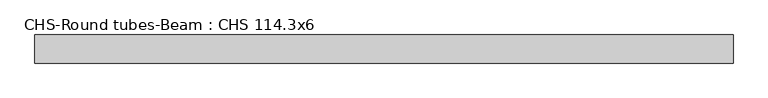
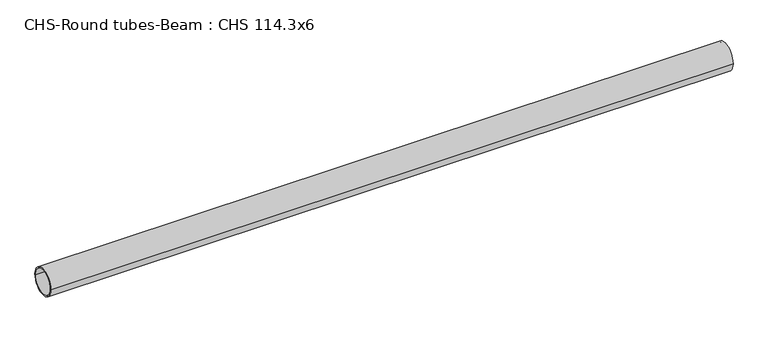
"""IFC4 building model written with IfcOpenShell, lengths in millimetres: beam geometry, CHS-Round tubes-Beam : CHS 114.3x6."""

import ifcopenshell
import ifcopenshell.guid

model = None  # the IFC model being written
_history = None  # IfcOwnerHistory: only IFC2X3 demands one
_inside = {}  # id of a spatial element -> (the spatial element, [elements in it])
_under = {}  # id of a project, library or spatial element -> (it, [spatial elements below it])
_declared = {}  # id of a project -> (the project, [libraries it declares])
_typed = {}  # id of a type object -> (the type object, [elements of that type])
_made_of = {}  # id of a material, layer set ... -> (it, [elements and type objects made of it])


def new_model(schema):
    """Start an empty IFC model of exactly this schema.

    Asked for "IFC4X3", IfcOpenShell would pick the latest addendum, in which some entities
    have other attributes; the version numbers below select the first issue.
    IFC2X3 requires an IfcOwnerHistory on every rooted entity: one is made here for all.
    """
    global model, _history
    if schema == "IFC4X3":
        model = ifcopenshell.file(schema_version=(4, 3, 0, 0))
    else:
        model = ifcopenshell.file(schema=schema)
    _inside.clear()
    _under.clear()
    _declared.clear()
    _typed.clear()
    _made_of.clear()
    _history = None
    if model.schema == "IFC2X3":
        org = make("IfcOrganization", Name="unknown")
        user = make(
            "IfcPersonAndOrganization",
            ThePerson=make("IfcPerson", FamilyName="unknown"),
            TheOrganization=org,
        )
        app = make(
            "IfcApplication",
            ApplicationDeveloper=org,
            Version="unknown",
            ApplicationFullName="unknown",
            ApplicationIdentifier="unknown",
        )
        _history = make(
            "IfcOwnerHistory",
            OwningUser=user,
            OwningApplication=app,
            ChangeAction="ADDED",
            CreationDate=0,
        )
    return model


def make(cls, **values):
    """One entity of the class cls with the attributes given. An attribute that is None is left unset."""
    return model.create_entity(
        cls, **{name: value for name, value in values.items() if value is not None}
    )


def rooted(cls, **values):
    """An entity with a GlobalId (a new one), such as an element, a storey or a relation."""
    return make(cls, GlobalId=ifcopenshell.guid.new(), OwnerHistory=_history, **values)


def si_unit(unit_type, name, prefix=None):
    """IfcSIUnit, for example si_unit("LENGTHUNIT", "METRE", prefix="MILLI")."""
    return make("IfcSIUnit", UnitType=unit_type, Prefix=prefix, Name=name)


def assignment(units):
    """IfcUnitAssignment: the units of a project."""
    return None if units is None else make("IfcUnitAssignment", Units=units)


def point(xyz):
    """IfcCartesianPoint."""
    return None if xyz is None else make("IfcCartesianPoint", Coordinates=xyz)


def direction(xyz):
    """IfcDirection."""
    return None if xyz is None else make("IfcDirection", DirectionRatios=xyz)


def frame(location, z_axis=None, x_axis=None):
    """IfcAxis2Placement3D, a coordinate frame: its origin and axes. An axis left out is left unset."""
    return make(
        "IfcAxis2Placement3D",
        Location=point(location),
        Axis=direction(z_axis),
        RefDirection=direction(x_axis),
    )


def frame_2d(location, x_axis=None):
    """IfcAxis2Placement2D, a coordinate frame in the plane: its origin and x axis."""
    return make(
        "IfcAxis2Placement2D", Location=point(location), RefDirection=direction(x_axis)
    )


def origin():
    """The frame at (0, 0, 0) with its axes left unset."""
    return frame((0.0, 0.0, 0.0))


def origin_2d():
    """The frame at (0, 0) in the plane with its x axis left unset."""
    return frame_2d((0.0, 0.0))


def place(relative_to, where):
    """IfcLocalPlacement: puts the frame where relative to a parent placement (None: the world)."""
    return make(
        "IfcLocalPlacement", PlacementRelTo=relative_to, RelativePlacement=where
    )


def context(
    kind, dimensions, precision=None, world=None, true_north=None, identifier=None
):
    """IfcGeometricRepresentationContext, for example the 3D "Model" context."""
    return make(
        "IfcGeometricRepresentationContext",
        ContextIdentifier=identifier,
        ContextType=kind,
        CoordinateSpaceDimension=dimensions,
        Precision=precision,
        WorldCoordinateSystem=world,
        TrueNorth=true_north,
    )


def project(units=None, contexts=None):
    """IfcProject with its units and contexts."""
    return rooted(
        "IfcProject",
        Name="project",
        RepresentationContexts=contexts,
        UnitsInContext=assignment(units),
    )


def spatial(cls, under=None, at=None, **own):
    """A site, building, storey or space (cls), placed at a placement, below another one or the project."""
    s = rooted(cls, ObjectPlacement=at, **own)
    if under is not None:
        _under.setdefault(under.id(), (under, []))[1].append(s)
    return s


def circle_curve(where, radius):
    """IfcCircle in the frame where."""
    return make("IfcCircle", Position=where, Radius=radius)


def trimmed(basis, trim1, trim2, sense, master):
    """IfcTrimmedCurve: the piece of a basis curve between two trims."""
    return make(
        "IfcTrimmedCurve",
        BasisCurve=basis,
        Trim1=trim1,
        Trim2=trim2,
        SenseAgreement=sense,
        MasterRepresentation=master,
    )


def segment(curve, same_sense, transition):
    """IfcCompositeCurveSegment."""
    return make(
        "IfcCompositeCurveSegment",
        Transition=transition,
        SameSense=same_sense,
        ParentCurve=curve,
    )


def composite_curve(segments, self_intersect=None):
    """IfcCompositeCurve: segments joined end to end."""
    return make("IfcCompositeCurve", Segments=segments, SelfIntersect=self_intersect)


def outline(outer, holes=None, kind="AREA"):
    """IfcArbitraryClosedProfileDef: a profile drawn as a closed curve; with holes, ...WithVoids."""
    if holes is None:
        return make("IfcArbitraryClosedProfileDef", ProfileType=kind, OuterCurve=outer)
    return make(
        "IfcArbitraryProfileDefWithVoids",
        ProfileType=kind,
        OuterCurve=outer,
        InnerCurves=holes,
    )


def extrude(swept, where, along, depth):
    """IfcExtrudedAreaSolid: the profile swept, set in the frame where, extruded along a direction by depth."""
    return make(
        "IfcExtrudedAreaSolid",
        SweptArea=swept,
        Position=where,
        ExtrudedDirection=direction(along),
        Depth=depth,
    )


def shape(context_of_items, identifier, shape_type, items):
    """IfcShapeRepresentation: the items that make up one representation, for example the "Body"."""
    return make(
        "IfcShapeRepresentation",
        ContextOfItems=context_of_items,
        RepresentationIdentifier=identifier,
        RepresentationType=shape_type,
        Items=items,
    )


def source(mapping_origin, context_of_items, identifier, shape_type, items):
    """IfcRepresentationMap: a shape defined once, which mapped items show again and again."""
    return make(
        "IfcRepresentationMap",
        MappingOrigin=mapping_origin,
        MappedRepresentation=shape(context_of_items, identifier, shape_type, items),
    )


def transform(
    local_origin,
    x_axis=None,
    y_axis=None,
    z_axis=None,
    scale=None,
    scale2=None,
    scale3=None,
    uniform=True,
):
    """IfcCartesianTransformationOperator3D, or its non-uniform kind. x_axis, y_axis, z_axis: its Axis1, 2, 3."""
    if uniform:
        return make(
            "IfcCartesianTransformationOperator3D",
            Axis1=direction(x_axis),
            Axis2=direction(y_axis),
            LocalOrigin=point(local_origin),
            Scale=scale,
            Axis3=direction(z_axis),
        )
    return make(
        "IfcCartesianTransformationOperator3DnonUniform",
        Axis1=direction(x_axis),
        Axis2=direction(y_axis),
        LocalOrigin=point(local_origin),
        Scale=scale,
        Axis3=direction(z_axis),
        Scale2=scale2,
        Scale3=scale3,
    )


def mapped(mapping_source, mapping_target):
    """IfcMappedItem: shows the shape of a source again, moved by a transform."""
    return make(
        "IfcMappedItem", MappingSource=mapping_source, MappingTarget=mapping_target
    )


def made_of(thing, what):
    """Note that an element or type object is made of a material, layer set ...; save() writes the relation."""
    if what is not None:
        _made_of.setdefault(what.id(), (what, []))[1].append(thing)
    return thing


def element(
    cls,
    number,
    at=None,
    inside=None,
    cuts=None,
    type_object=None,
    material=None,
    context=None,
    identifier="Body",
    shape_type=None,
    held_by="IfcProductDefinitionShape",
    body=None,
    shapes=None,
    **own,
):
    """One element of the class cls, such as IfcWall. Its Tag is "e" and its number.

    at: its placement. inside: the storey or other place that contains it. cuts: it is an
    opening in that element (IfcRelVoidsElement). A single representation is given by context,
    identifier, shape_type and body (its items); several are given by shapes. held_by: the class
    of the entity that holds the representations. save() writes the other relations.
    """
    e = rooted(cls, Tag="e%d" % number, ObjectPlacement=at, **own)
    if body is not None:
        shapes = [shape(context, identifier, shape_type, body)]
    if shapes is not None:
        e.Representation = make(held_by, Representations=shapes)
    if inside is not None:
        _inside.setdefault(inside.id(), (inside, []))[1].append(e)
    if cuts is not None:
        rooted(
            "IfcRelVoidsElement", RelatingBuildingElement=cuts, RelatedOpeningElement=e
        )
    if type_object is not None:
        _typed.setdefault(type_object.id(), (type_object, []))[1].append(e)
    return made_of(e, material)


def aggregate(whole, parts):
    """IfcRelAggregates: a whole, such as a stair, and the parts it consists of."""
    return rooted("IfcRelAggregates", RelatingObject=whole, RelatedObjects=parts)


def save(model, path):
    """Write the relations noted so far, then the file.

    IfcRelAggregates (storeys below a building ...), IfcRelContainedInSpatialStructure (elements
    in a storey), IfcRelDefinesByType, IfcRelAssociatesMaterial and IfcRelDeclares: one each for
    every whole, place, type object, material and project.
    """
    for whole, parts in _under.values():
        aggregate(whole, parts)
    for where, things in _inside.values():
        rooted(
            "IfcRelContainedInSpatialStructure",
            RelatedElements=things,
            RelatingStructure=where,
        )
    for kind, things in _typed.values():
        rooted("IfcRelDefinesByType", RelatedObjects=things, RelatingType=kind)
    for what, things in _made_of.values():
        rooted("IfcRelAssociatesMaterial", RelatedObjects=things, RelatingMaterial=what)
    for by, libraries in _declared.values():
        rooted("IfcRelDeclares", RelatingContext=by, RelatedDefinitions=libraries)
    model.write(path)


def chs_round_tubes_beam_chs_114_3x6_f9e65347(model_context):
    return source(origin(), model_context, "Body", "SweptSolid", [
        extrude(outline(composite_curve([segment(trimmed(circle_curve(origin_2d(), 57.15), [point((57.15, 0.0))], [point((-57.15, 0.0))], False, "CARTESIAN"), True, "CONTINUOUS"), segment(trimmed(circle_curve(origin_2d(), 57.15), [point((-57.15, 0.0))], [point((57.15, 0.0))], False, "CARTESIAN"), True, "CONTINUOUS")], self_intersect=False), holes=[composite_curve([segment(trimmed(circle_curve(origin_2d(), 51.15), [point((51.15, 0.0))], [point((-51.15, 0.0))], True, "CARTESIAN"), True, "CONTINUOUS"), segment(trimmed(circle_curve(origin_2d(), 51.15), [point((-51.15, 0.0))], [point((51.15, 0.0))], True, "CARTESIAN"), True, "CONTINUOUS")], self_intersect=False)]), frame((-1404.8478741, 0.0, 0.0), z_axis=(1.0, 0.0, 0.0), x_axis=(0.0, 1.0, 0.0)), (0.0, 0.0, 1.0), 2837.6794532),
    ])


if __name__ == "__main__":
    model = new_model("IFC4")
    model_context = context("Model", 3, world=origin())
    ifc_project = project(units=[si_unit("LENGTHUNIT", "METRE", prefix="MILLI")], contexts=[model_context])
    site = spatial("IfcSite", under=ifc_project)
    building = spatial("IfcBuilding", under=site)
    placement = place(None, origin())
    chs_round_tubes_beam_chs_114_3x6_shape = chs_round_tubes_beam_chs_114_3x6_f9e65347(model_context)
    element("IfcBeam", 1, ObjectType="CHS-Round tubes-Beam : CHS 114.3x6", at=placement, inside=building, context=model_context, shape_type="MappedRepresentation", body=[
        mapped(chs_round_tubes_beam_chs_114_3x6_shape, transform((0.0, 0.0, 0.0), x_axis=(1.0, 0.0, 0.0), y_axis=(0.0, 1.0, 0.0), z_axis=(0.0, 0.0, 1.0))),
    ])
    save(model, "model.ifc")
